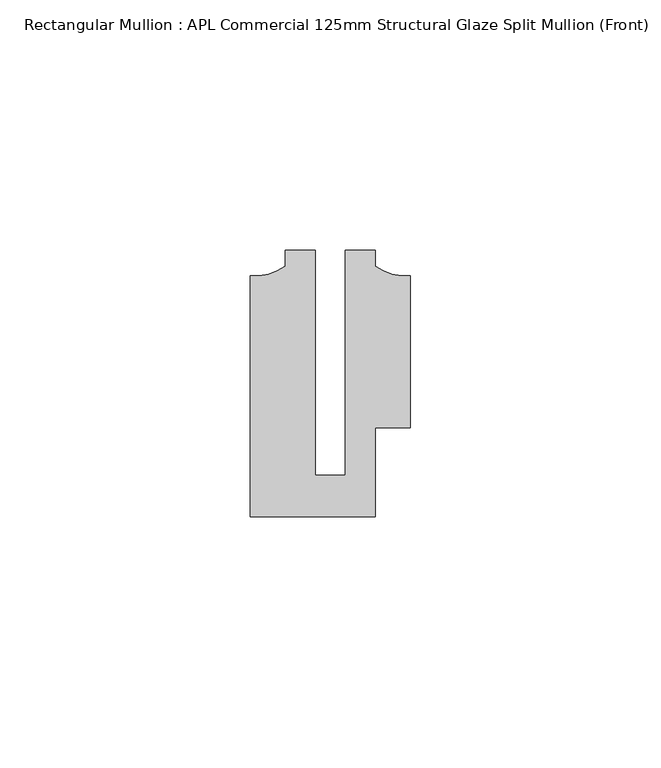
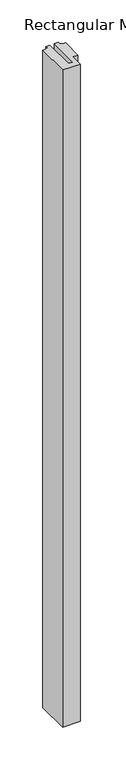
"""IFC4 building model written with IfcOpenShell, lengths in millimetres: member geometry, Rectangular Mullion : APL Commercial 125mm Structural Glaze Split Mullion (Front)."""

from ifc_helpers import new_model, si_unit, point, frame, frame_2d, origin, place, context, project, spatial, polyline, circle_curve, trimmed, segment, composite_curve, outline, extrude, source, transform, mapped, element, save


def rectangular_mullion_apl_commercial_125mm_structural_glaze_91231f6d(model_context):
    return source(origin(), model_context, "Body", "SweptSolid", [
        extrude(outline(composite_curve([segment(polyline([(15.9999391, -14.9953356), (9.0, -14.9953356), (9.0, -32.7960123), (-15.9999391, -32.7960123), (-15.9999391, 15.3837352)]), True, "CONTINUOUS"), segment(trimmed(circle_curve(frame_2d((-15.1098019, 25.802169)), 10.4563907), [point((-15.9999391, 15.3837352))], [point((-8.9999842, 17.3165203))], True, "CARTESIAN"), True, "CONTINUOUS"), segment(polyline([(-8.9999842, 17.3165203), (-8.9999842, 20.5039877), (-2.9999659, 20.5039877), (-2.9999659, -24.5130805), (2.9999676, -24.5130805), (2.9999676, 20.5039877), (8.9999842, 20.5039877), (8.9999842, 17.3165203)]), True, "CONTINUOUS"), segment(trimmed(circle_curve(frame_2d((15.1098019, 25.802169)), 10.4563907), [point((8.9999842, 17.3165203))], [point((15.9999391, 15.3837352))], True, "CARTESIAN"), True, "CONTINUOUS"), segment(polyline([(15.9999391, 15.3837352), (15.9999391, -14.9953356)]), True, "CONTINUOUS")], self_intersect=False)), frame((0.0, 0.0, -983.3287873), z_axis=(0.0, 0.0, 1.0), x_axis=(1.0, 0.0, 0.0)), (0.0, 0.0, 1.0), 983.3287873),
    ])


if __name__ == "__main__":
    model = new_model("IFC4")
    model_context = context("Model", 3, world=origin())
    ifc_project = project(units=[si_unit("LENGTHUNIT", "METRE", prefix="MILLI")], contexts=[model_context])
    site = spatial("IfcSite", under=ifc_project)
    building = spatial("IfcBuilding", under=site)
    placement = place(None, origin())
    rectangular_mullion_apl_commercial_125mm_structural_glaze_shape = rectangular_mullion_apl_commercial_125mm_structural_glaze_91231f6d(model_context)
    element("IfcMember", 1, ObjectType="Rectangular Mullion : APL Commercial 125mm Structural Glaze Split Mullion (Front)", at=placement, inside=building, context=model_context, shape_type="MappedRepresentation", body=[
        mapped(rectangular_mullion_apl_commercial_125mm_structural_glaze_shape, transform((0.0, 0.0, 0.0), x_axis=(1.0, 0.0, 0.0), y_axis=(0.0, 1.0, 0.0), z_axis=(0.0, 0.0, 1.0))),
    ])
    save(model, "model.ifc")
